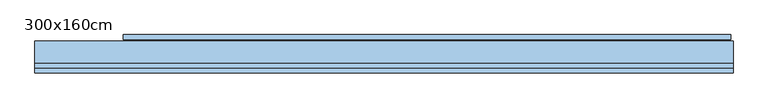
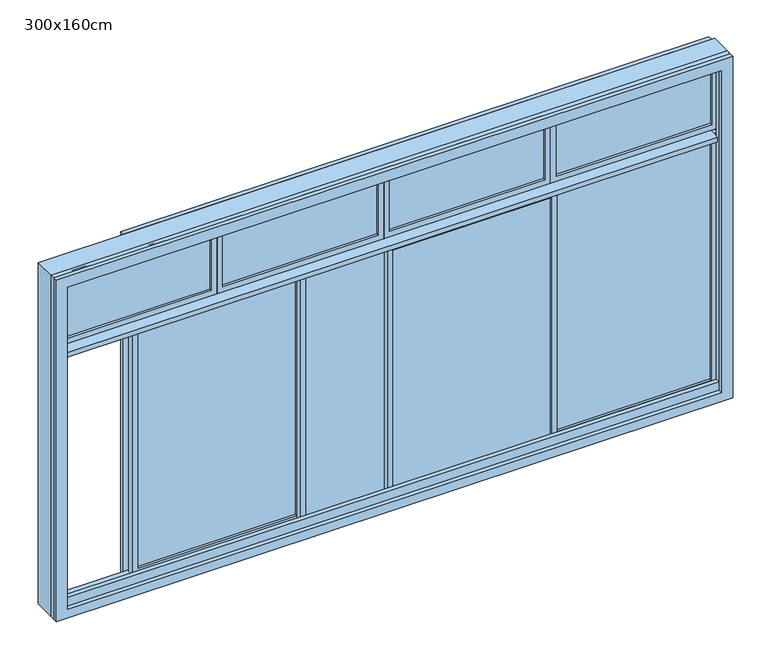
"""IFC4 building model written with IfcOpenShell, lengths in millimetres: window geometry, 300x160cm."""

from ifc_helpers import new_model, si_unit, frame, origin, place, context, project, spatial, polyline, outline, extrude, source, transform, mapped, element, save


def window_300x160cm_14a10db5(model_context):
    return source(origin(), model_context, "Body", "SweptSolid", [
        extrude(outline(polyline([(1978.25, 0.575), (1288.25, 0.575), (1288.25, 7.575), (1978.25, 7.575), (1978.25, 0.575)])), frame((0.0, 0.0, 2345.0), z_axis=(0.0, 0.0, 1.0), x_axis=(1.0, 0.0, 0.0)), (0.0, 0.0, 1.0), 310.0),
        extrude(outline(polyline([(2320.0, 2003.25), (2680.0, 2003.25), (2680.0, 1263.25), (2320.0, 1263.25), (2320.0, 2003.25)]), holes=[polyline([(2655.0, 1288.25), (2655.0, 1978.25), (2345.0, 1978.25), (2345.0, 1288.25), (2655.0, 1288.25)])]), frame((0.0, -10.925, 0.0), z_axis=(0.0, 1.0, 0.0), x_axis=(0.0, 0.0, 1.0)), (0.0, 0.0, 1.0), 30.0),
        extrude(outline(polyline([(1238.25, 0.575), (548.25, 0.575), (548.25, 7.575), (1238.25, 7.575), (1238.25, 0.575)])), frame((0.0, 0.0, 2345.0), z_axis=(0.0, 0.0, 1.0), x_axis=(1.0, 0.0, 0.0)), (0.0, 0.0, 1.0), 310.0),
        extrude(outline(polyline([(2320.0, 1263.25), (2680.0, 1263.25), (2680.0, 523.25), (2320.0, 523.25), (2320.0, 1263.25)]), holes=[polyline([(2655.0, 548.25), (2655.0, 1238.25), (2345.0, 1238.25), (2345.0, 548.25), (2655.0, 548.25)])]), frame((0.0, -10.925, 0.0), z_axis=(0.0, 1.0, 0.0), x_axis=(0.0, 0.0, 1.0)), (0.0, 0.0, 1.0), 30.0),
        extrude(outline(polyline([(498.25, 0.575), (-191.75, 0.575), (-191.75, 7.575), (498.25, 7.575), (498.25, 0.575)])), frame((0.0, 0.0, 2345.0), z_axis=(0.0, 0.0, 1.0), x_axis=(1.0, 0.0, 0.0)), (0.0, 0.0, 1.0), 310.0),
        extrude(outline(polyline([(2320.0, 523.25), (2680.0, 523.25), (2680.0, -216.75), (2320.0, -216.75), (2320.0, 523.25)]), holes=[polyline([(2655.0, -191.75), (2655.0, 498.25), (2345.0, 498.25), (2345.0, -191.75), (2655.0, -191.75)])]), frame((0.0, -10.925, 0.0), z_axis=(0.0, 1.0, 0.0), x_axis=(0.0, 0.0, 1.0)), (0.0, 0.0, 1.0), 30.0),
        extrude(outline(polyline([(-241.75, 0.575), (-931.75, 0.575), (-931.75, 7.575), (-241.75, 7.575), (-241.75, 0.575)])), frame((0.0, 0.0, 2345.0), z_axis=(0.0, 0.0, 1.0), x_axis=(1.0, 0.0, 0.0)), (0.0, 0.0, 1.0), 310.0),
        extrude(outline(polyline([(2320.0, -216.75), (2680.0, -216.75), (2680.0, -956.75), (2320.0, -956.75), (2320.0, -216.75)]), holes=[polyline([(2655.0, -931.75), (2655.0, -241.75), (2345.0, -241.75), (2345.0, -931.75), (2655.0, -931.75)])]), frame((0.0, -10.925, 0.0), z_axis=(0.0, 1.0, 0.0), x_axis=(0.0, 0.0, 1.0)), (0.0, 0.0, 1.0), 30.0),
        extrude(outline(polyline([(-556.75, 15.575), (-556.75, 22.575), (145.75, 22.575), (145.75, 15.575), (-556.75, 15.575)])), frame((0.0, 0.0, 1145.0), z_axis=(0.0, 0.0, 1.0), x_axis=(1.0, 0.0, 0.0)), (0.0, 0.0, 1.0), 1130.0),
        extrude(outline(polyline([(1120.0, -581.75), (1120.0, 170.75), (2300.0, 170.75), (2300.0, -581.75), (1120.0, -581.75)]), holes=[polyline([(2275.0, 145.75), (1145.0, 145.75), (1145.0, -556.75), (2275.0, -556.75), (2275.0, 145.75)])]), frame((0.0, 4.075, 0.0), z_axis=(0.0, 1.0, 0.0), x_axis=(0.0, 0.0, 1.0)), (0.0, 0.0, 1.0), 30.0),
        extrude(outline(polyline([(170.75, -14.425), (170.75, -7.425), (873.25, -7.425), (873.25, -14.425), (170.75, -14.425)])), frame((0.0, 0.0, 1145.0), z_axis=(0.0, 0.0, 1.0), x_axis=(1.0, 0.0, 0.0)), (0.0, 0.0, 1.0), 1130.0),
        extrude(outline(polyline([(1120.0, 145.75), (1120.0, 898.25), (2300.0, 898.25), (2300.0, 145.75), (1120.0, 145.75)]), holes=[polyline([(2275.0, 873.25), (1145.0, 873.25), (1145.0, 170.75), (2275.0, 170.75), (2275.0, 873.25)])]), frame((0.0, -25.925, 0.0), z_axis=(0.0, 1.0, 0.0), x_axis=(0.0, 0.0, 1.0)), (0.0, 0.0, 1.0), 30.0),
        extrude(outline(polyline([(1978.25, 2.575), (1275.75, 2.575), (1275.75, 9.575), (1978.25, 9.575), (1978.25, 2.575)])), frame((0.0, 0.0, 1145.0), z_axis=(0.0, 0.0, 1.0), x_axis=(1.0, 0.0, 0.0)), (0.0, 0.0, 1.0), 1130.0),
        extrude(outline(polyline([(1120.0, 2003.25), (2300.0, 2003.25), (2300.0, 1250.75), (1120.0, 1250.75), (1120.0, 2003.25)]), holes=[polyline([(2275.0, 1275.75), (2275.0, 1978.25), (1145.0, 1978.25), (1145.0, 1275.75), (2275.0, 1275.75)])]), frame((0.0, -8.925, 0.0), z_axis=(0.0, 1.0, 0.0), x_axis=(0.0, 0.0, 1.0)), (0.0, 0.0, 1.0), 30.0),
        extrude(outline(polyline([(1250.75, -27.425), (548.25, -27.425), (548.25, -20.425), (1250.75, -20.425), (1250.75, -27.425)])), frame((0.0, 0.0, 1145.0), z_axis=(0.0, 0.0, 1.0), x_axis=(1.0, 0.0, 0.0)), (0.0, 0.0, 1.0), 1130.0),
        extrude(outline(polyline([(1120.0, 1275.75), (2300.0, 1275.75), (2300.0, 523.25), (1120.0, 523.25), (1120.0, 1275.75)]), holes=[polyline([(2275.0, 548.25), (2275.0, 1250.75), (1145.0, 1250.75), (1145.0, 548.25), (2275.0, 548.25)])]), frame((0.0, -38.925, 0.0), z_axis=(0.0, 1.0, 0.0), x_axis=(0.0, 0.0, 1.0)), (0.0, 0.0, 1.0), 30.0),
        extrude(outline(polyline([(1100.0, 2023.25), (2700.0, 2023.25), (2700.0, -976.75), (1100.0, -976.75), (1100.0, 2023.25)]), holes=[polyline([(2650.0, -926.75), (2650.0, 1973.25), (1180.0, 1973.25), (1180.0, -926.75), (2650.0, -926.75)])]), frame((0.0, -72.925, 0.0), z_axis=(0.0, 1.0, 0.0), x_axis=(0.0, 0.0, 1.0)), (0.0, 0.0, 1.0), 20.0),
        extrude(outline(polyline([(2700.0, -976.75), (1100.0, -976.75), (1100.0, 2023.25), (2700.0, 2023.25), (2700.0, -976.75)]), holes=[polyline([(2650.0, 1973.25), (1140.0, 1973.25), (1140.0, -926.75), (2650.0, -926.75), (2650.0, 1973.25)])]), frame((0.0, -92.925, 0.0), z_axis=(0.0, 1.0, 0.0), x_axis=(0.0, 0.0, 1.0)), (0.0, 0.0, 1.0), 20.0),
        extrude(outline(polyline([(1973.25, -65.925), (-931.75, -65.925), (-931.75, 44.075), (1973.25, 44.075), (1973.25, -65.925)])), frame((0.0, 0.0, 2300.0), z_axis=(0.0, 0.0, 1.0), x_axis=(1.0, 0.0, 0.0)), (0.0, 0.0, 1.0), 20.0),
        extrude(outline(polyline([(2695.0, -596.75), (1105.0, -596.75), (1105.0, 2013.25), (2695.0, 2013.25), (2695.0, -596.75)]), holes=[polyline([(2655.0, 1973.25), (1145.0, 1973.25), (1145.0, -556.75), (2655.0, -556.75), (2655.0, 1973.25)])]), frame((0.0, 51.075, 0.0), z_axis=(0.0, 1.0, 0.0), x_axis=(0.0, 0.0, 1.0)), (0.0, 0.0, 1.0), 20.0),
        extrude(outline(polyline([(2700.0, 2023.25), (2700.0, -976.75), (1100.0, -976.75), (1100.0, 2023.25), (2700.0, 2023.25)]), holes=[polyline([(2680.0, 2003.25), (1120.0, 2003.25), (1120.0, -956.75), (2680.0, -956.75), (2680.0, 2003.25)])]), frame((0.0, -65.925, 0.0), z_axis=(0.0, 1.0, 0.0), x_axis=(0.0, 0.0, 1.0)), (0.0, 0.0, 1.0), 110.0),
    ])


if __name__ == "__main__":
    model = new_model("IFC4")
    model_context = context("Model", 3, world=origin())
    ifc_project = project(units=[si_unit("LENGTHUNIT", "METRE", prefix="MILLI")], contexts=[model_context])
    site = spatial("IfcSite", under=ifc_project)
    building = spatial("IfcBuilding", under=site)
    placement = place(None, origin())
    window_300x160cm_shape = window_300x160cm_14a10db5(model_context)
    element("IfcWindow", 1, ObjectType="300x160cm", at=placement, inside=building, context=model_context, shape_type="MappedRepresentation", body=[
        mapped(window_300x160cm_shape, transform((0.0, 0.0, 0.0), x_axis=(1.0, 0.0, 0.0), y_axis=(0.0, 1.0, 0.0), z_axis=(0.0, 0.0, 1.0))),
    ])
    save(model, "model.ifc")
